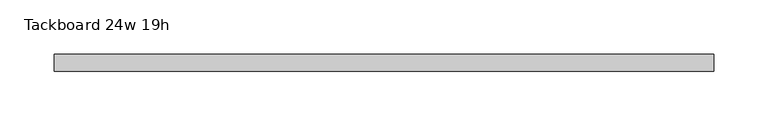
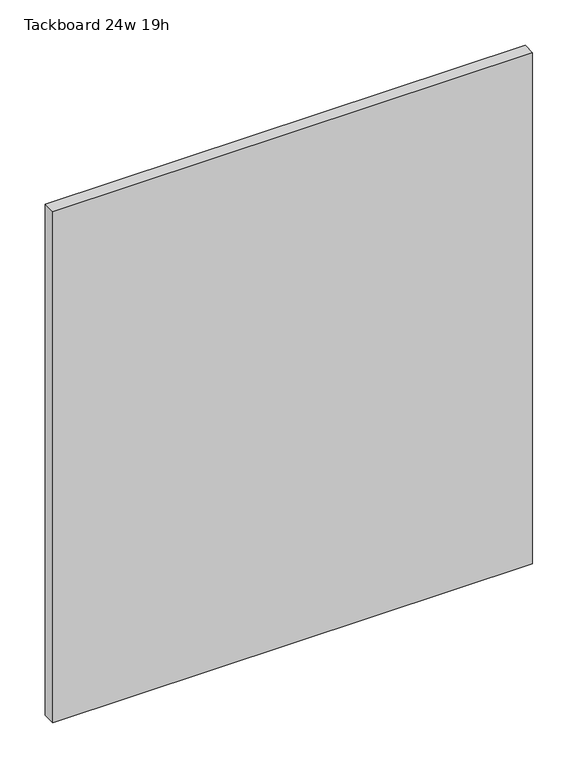
"""IFC4 building model written with IfcOpenShell, lengths in millimetres: furniture geometry, Tackboard 24w 19h."""

from ifc_helpers import new_model, si_unit, frame, origin, place, context, project, spatial, polyline, outline, extrude, source, transform, mapped, element, save


def tackboard_24w_19h_46026777(model_context):
    return source(origin(), model_context, "Body", "SweptSolid", [
        extrude(outline(polyline([(307.2402902, -28.8968594), (-302.3597098, -28.8968594), (-302.3597098, -13.0218594), (307.2402902, -13.0218594), (307.2402902, -28.8968594)])), frame((0.0, 0.0, 1066.8), z_axis=(0.0, 0.0, 1.0), x_axis=(1.0, 0.0, 0.0)), (0.0, 0.0, 1.0), 685.8),
    ])


if __name__ == "__main__":
    model = new_model("IFC4")
    model_context = context("Model", 3, world=origin())
    ifc_project = project(units=[si_unit("LENGTHUNIT", "METRE", prefix="MILLI")], contexts=[model_context])
    site = spatial("IfcSite", under=ifc_project)
    building = spatial("IfcBuilding", under=site)
    placement = place(None, origin())
    tackboard_24w_19h_shape = tackboard_24w_19h_46026777(model_context)
    element("IfcFurniture", 1, ObjectType="Tackboard 24w 19h", at=placement, inside=building, context=model_context, shape_type="MappedRepresentation", body=[
        mapped(tackboard_24w_19h_shape, transform((0.0, 0.0, 0.0), x_axis=(1.0, 0.0, 0.0), y_axis=(0.0, 1.0, 0.0), z_axis=(0.0, 0.0, 1.0))),
    ])
    save(model, "model.ifc")
